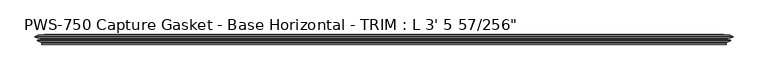
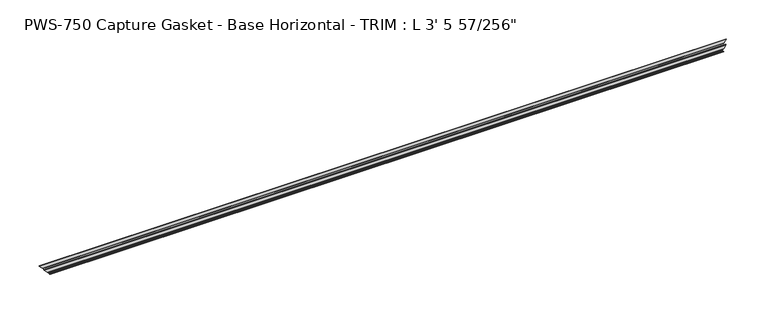
"""IFC4 building model written with IfcOpenShell, lengths in millimetres: proxy geometry."""

from ifc_helpers import new_model, si_unit, origin, place, context, project, spatial, faceted_brep, source, transform, mapped, element, save


def proxy_8b02bca0(model_context):
    return source(origin(), model_context, "Body", "Brep", [
        faceted_brep([(1036.5374583, -11.3058688, 3.7741579), (1037.0860673, -10.5185521, 4.3227669), (9.9694015, -10.5185521, 4.3227669), (10.5180104, -11.3058688, 3.7741579), (1040.201316, -10.1484847, 7.4380156), (6.8541528, -10.1484847, 7.4380156), (1038.9020005, -11.2380874, 6.1387001), (8.1534683, -11.2380874, 6.1387001), (1042.8467101, -9.8326365, 10.0834097), (4.2087587, -9.8326365, 10.0834097), (1043.4360673, -9.077363, 10.6727669), (3.6194015, -9.077363, 10.6727669), (1042.8099086, -8.3570499, 10.0466082), (4.2455601, -8.3570499, 10.0466082), (1038.9020005, -6.964711, 6.1387001), (8.1534683, -6.964711, 6.1387001), (1040.201316, -8.0543136, 7.4380156), (6.8541528, -8.0543136, 7.4380156), (1037.0860673, -7.6842462, 4.3227669), (9.9694015, -7.6842462, 4.3227669), (1037.0860673, -4.8395867, 4.3227669), (9.9694015, -4.8395867, 4.3227669), (1042.6729641, -4.8395867, 9.9096637), (4.3825047, -4.8395867, 9.9096637), (0.0, -3.7618735, 14.2921683), (1047.0554688, -3.7618735, 14.2921683), (1046.8089125, -2.7592562, 14.0456121), (0.2465562, -2.7592562, 14.0456121), (1041.7068545, -0.3893608, 8.9435541), (5.3486143, -0.3893608, 8.9435541), (1043.7628959, -2.4454023, 10.9995955), (3.2925728, -2.4454023, 10.9995955), (1041.5961208, -2.4454023, 8.8328204), (5.4593479, -2.4454023, 8.8328204), (1038.6261556, -0.3893608, 5.8628551), (8.4293132, -0.3893608, 5.8628551), (1040.4691911, -2.6340331, 7.7058906), (6.5862777, -2.6340331, 7.7058906), (1037.3642077, -2.3338527, 4.6009073), (9.6912611, -2.3338527, 4.6009073), (1033.1284507, 0.0, 0.3651502), (13.9270181, 0.0, 0.3651502), (1032.7633004, -0.7787217, 0.0), (14.2921683, -0.7787217, 0.0), (1035.315378, -3.3307993, 2.5520776), (11.7400908, -3.3307993, 2.5520776), (1035.6609574, -13.0602862, 2.897657), (11.3945114, -13.0602862, 2.897657), (1037.0191561, -14.4184849, 4.2558556), (10.0363127, -14.4184849, 4.2558556), (1037.0191561, -13.3109165, 4.2558556), (10.0363127, -13.3109165, 4.2558556)], [[[0, 1, 2, 3]], [[1, 4, 5, 2]], [[4, 6, 7, 5]], [[6, 8, 9, 7]], [[8, 10, 11, 9]], [[10, 12, 13, 11]], [[12, 14, 15, 13]], [[14, 16, 17, 15]], [[16, 18, 19, 17]], [[18, 20, 21, 19]], [[20, 22, 23, 21]], [[24, 23, 22, 25]], [[25, 26, 27, 24]], [[26, 28, 29, 27]], [[28, 30, 31, 29]], [[30, 32, 33, 31]], [[32, 34, 35, 33]], [[34, 36, 37, 35]], [[36, 38, 39, 37]], [[38, 40, 41, 39]], [[40, 42, 43, 41]], [[42, 44, 45, 43]], [[44, 46, 47, 45]], [[46, 48, 49, 47]], [[48, 50, 51, 49]], [[3, 51, 50, 0]], [[0, 50, 48, 46, 44, 42, 40, 38, 36, 34, 32, 30, 28, 26, 25, 22, 20, 18, 16, 14, 12, 10, 8, 6, 4, 1]], [[2, 5, 7, 9, 11, 13, 15, 17, 19, 21, 23, 24, 27, 29, 31, 33, 35, 37, 39, 41, 43, 45, 47, 49, 51, 3]]]),
    ])


if __name__ == "__main__":
    model = new_model("IFC4")
    model_context = context("Model", 3, world=origin())
    ifc_project = project(units=[si_unit("LENGTHUNIT", "METRE", prefix="MILLI")], contexts=[model_context])
    site = spatial("IfcSite", under=ifc_project)
    building = spatial("IfcBuilding", under=site)
    placement = place(None, origin())
    proxy_shape = proxy_8b02bca0(model_context)
    element("IfcBuildingElementProxy", 1, Name="PWS-750 Capture Gasket - Base Horizontal - TRIM : L 3' 5 57/256\"", ObjectType="PWS-750 Capture Gasket - Base Horizontal - TRIM : L 3' 5 57/256\"", at=placement, inside=building, context=model_context, shape_type="MappedRepresentation", body=[
        mapped(proxy_shape, transform((0.0, 0.0, 0.0), x_axis=(1.0, 0.0, 0.0), y_axis=(0.0, 1.0, 0.0), z_axis=(0.0, 0.0, 1.0))),
    ])
    save(model, "model.ifc")
